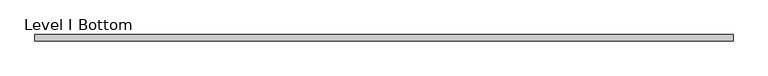
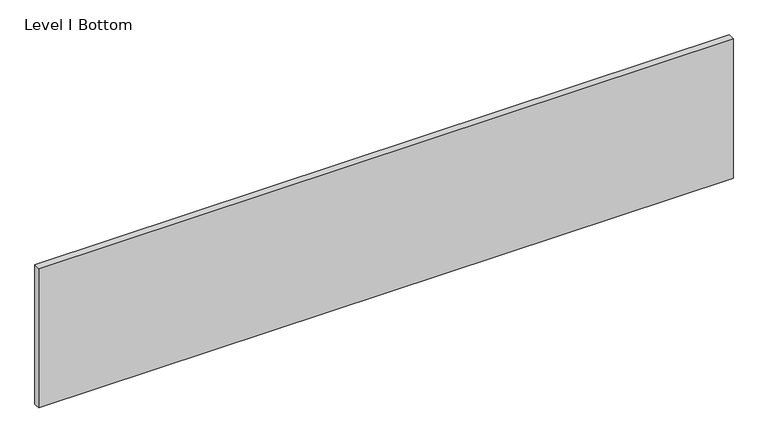
"""IFC4 building model written with IfcOpenShell, lengths in millimetres: proxy geometry, Level I Bottom."""

from ifc_helpers import new_model, si_unit, frame, origin, place, context, project, spatial, polyline, outline, extrude, source, transform, mapped, element, save


def level_i_bottom_7d6acad2(model_context):
    return source(origin(), model_context, "Body", "SweptSolid", [
        extrude(outline(polyline([(1012.8305563, 9.525), (1012.8305563, -9.525), (-1012.8305562, -9.525), (-1012.8305562, 9.525), (1012.8305563, 9.525)])), frame((0.0, 0.0, 3.175), z_axis=(0.0, 0.0, 1.0), x_axis=(1.0, 0.0, 0.0)), (0.0, 0.0, 1.0), 429.768),
    ])


if __name__ == "__main__":
    model = new_model("IFC4")
    model_context = context("Model", 3, world=origin())
    ifc_project = project(units=[si_unit("LENGTHUNIT", "METRE", prefix="MILLI")], contexts=[model_context])
    site = spatial("IfcSite", under=ifc_project)
    building = spatial("IfcBuilding", under=site)
    placement = place(None, origin())
    level_i_bottom_shape = level_i_bottom_7d6acad2(model_context)
    element("IfcBuildingElementProxy", 1, Name="Level I Bottom", ObjectType="Level I Bottom", at=placement, inside=building, context=model_context, shape_type="MappedRepresentation", body=[
        mapped(level_i_bottom_shape, transform((0.0, 0.0, 0.0), x_axis=(1.0, 0.0, 0.0), y_axis=(0.0, 1.0, 0.0), z_axis=(0.0, 0.0, 1.0))),
    ])
    save(model, "model.ifc")
